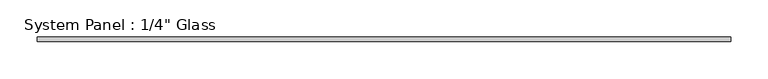
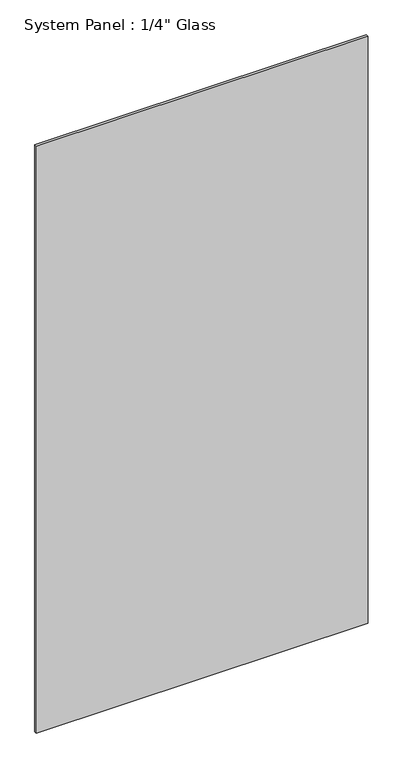
"""IFC4 building model written with IfcOpenShell, lengths in millimetres: plate geometry."""

from ifc_helpers import new_model, si_unit, origin, origin_with_axes, place, context, project, spatial, polyline, outline, extrude, source, transform, mapped, element, save


def plate_1758dbdb(model_context):
    return source(origin(), model_context, "Body", "SweptSolid", [
        extrude(outline(polyline([(465.4759605, -3.175), (-465.4759605, -3.175), (-465.4759605, 3.175), (465.4759605, 3.175), (465.4759605, -3.175)])), origin_with_axes(), (0.0, 0.0, 1.0), 1739.9),
    ])


if __name__ == "__main__":
    model = new_model("IFC4")
    model_context = context("Model", 3, world=origin())
    ifc_project = project(units=[si_unit("LENGTHUNIT", "METRE", prefix="MILLI")], contexts=[model_context])
    site = spatial("IfcSite", under=ifc_project)
    building = spatial("IfcBuilding", under=site)
    placement = place(None, origin())
    plate_shape = plate_1758dbdb(model_context)
    element("IfcPlate", 1, ObjectType="System Panel : 1/4\" Glass", at=placement, inside=building, context=model_context, shape_type="MappedRepresentation", body=[
        mapped(plate_shape, transform((0.0, 0.0, 0.0), x_axis=(1.0, 0.0, 0.0), y_axis=(0.0, 1.0, 0.0), z_axis=(0.0, 0.0, 1.0))),
    ])
    save(model, "model.ifc")
